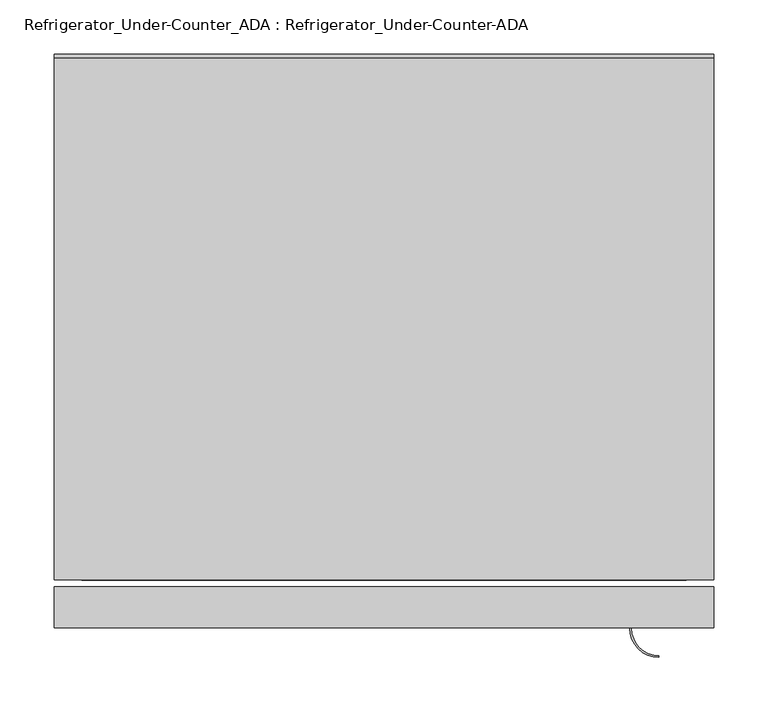
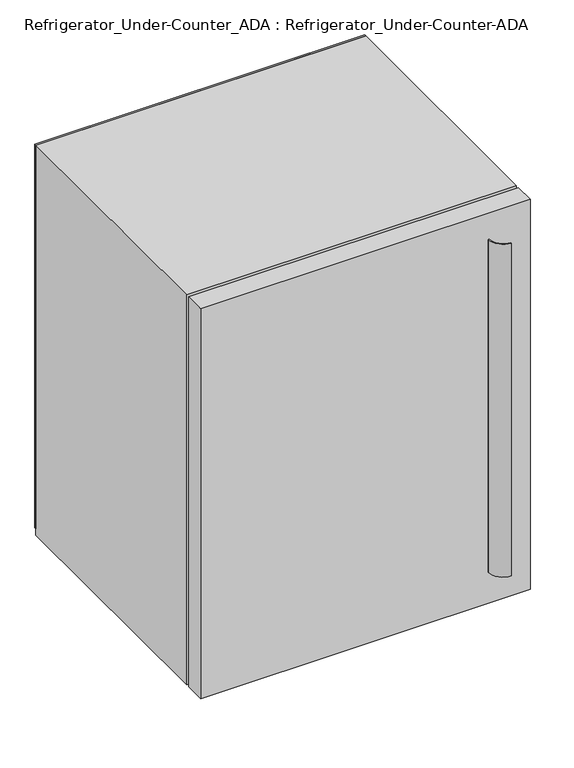
"""IFC4 building model written with IfcOpenShell, lengths in millimetres: proxy geometry, Refrigerator_Under-Counter_ADA : Refrigerator_Under-Counter-ADA."""

from ifc_helpers import new_model, si_unit, point, frame, frame_2d, origin, place, context, project, spatial, polyline, circle_curve, trimmed, segment, composite_curve, outline, extrude, source, transform, mapped, element, save
from ifc_brep_helpers import plane_surface, revolved_surface, advanced_brep


def refrigerator_under_counter_ada_refrigerator_under_counter_5b8babd0(model_context):
    return source(origin(), model_context, "Body", "SolidModel", [
        extrude(outline(polyline([(350.4262844, 3.175), (350.4262844, 0.0), (-259.1737156, 0.0), (-259.1737156, 3.175), (350.4262844, 3.175)])), frame((0.0, 0.0, 63.5), z_axis=(0.0, 0.0, 1.0), x_axis=(1.0, 0.0, 0.0)), (0.0, 0.0, 1.0), 749.3),
        extrude(outline(composite_curve([segment(trimmed(circle_curve(frame_2d((299.6262844, -527.2721727)), 25.4), [point((274.2262844, -527.2721727))], [point((299.6262844, -552.6721727))], True, "CARTESIAN"), True, "CONTINUOUS"), segment(polyline([(299.6262844, -552.6721727), (299.6262844, -554.2596727)]), True, "CONTINUOUS"), segment(trimmed(circle_curve(frame_2d((299.6262844, -527.2721727)), 26.9875), [point((299.6262844, -554.2596727))], [point((272.6387844, -527.2721727))], False, "CARTESIAN"), True, "CONTINUOUS"), segment(polyline([(272.6387844, -527.2721727), (272.6387844, -489.1721727), (274.2262844, -489.1721727), (274.2262844, -527.2721727)]), True, "CONTINUOUS")], self_intersect=False)), frame((0.0, 0.0, 111.8222704), z_axis=(0.0, 0.0, 1.0), x_axis=(1.0, 0.0, 0.0)), (0.0, 0.0, 1.0), 650.1777296),
        extrude(outline(polyline([(350.4262844, -527.05), (-259.1737156, -527.05), (-259.1737156, -488.95), (350.4262844, -488.95), (350.4262844, -527.05)])), frame((0.0, 0.0, 50.8), z_axis=(0.0, 0.0, 1.0), x_axis=(1.0, 0.0, 0.0)), (0.0, 0.0, 1.0), 762.0),
        advanced_brep(
        [(216.5827491, -444.5, 0.0), (233.0870024, -444.5, 0.0), (243.8848758, -444.5, 50.8), (205.7848758, -444.5, 50.8), (224.8348758, -444.5, 0.0), (224.8348758, -444.5, 50.8)],
        [
            (0, 1, circle_curve(frame((224.8348758, -444.5, 0.0), z_axis=(0.0, 0.0, 1.0), x_axis=(1.0, 0.0, 0.0)), 8.2521267)),
            (1, 2),
            (2, 3, circle_curve(frame((224.8348758, -444.5, 50.8), z_axis=(0.0, 0.0, -1.0), x_axis=(1.0, 0.0, 0.0)), 19.05)),
            (3, 0),
            (1, 0, circle_curve(frame((224.8348758, -444.5, 0.0), z_axis=(0.0, 0.0, 1.0), x_axis=(1.0, 0.0, 0.0)), 8.2521267)),
            (3, 2, circle_curve(frame((224.8348758, -444.5, 50.8), z_axis=(0.0, 0.0, -1.0), x_axis=(1.0, 0.0, 0.0)), 19.05)),
            (4, 1),
            (0, 4),
            (2, 5),
            (5, 3),
        ],
        [
            revolved_surface(polyline([(243.8848758, -444.5, 50.8), (233.0870024, -444.5, 0.0)]), (224.8348758, -444.5, 50.8), (0.0, 0.0, -1.0)),
            plane_surface(frame((224.8348758, -444.5, 0.0), z_axis=(0.0, 0.0, -1.0), x_axis=(1.0, 0.0, 0.0))),
            plane_surface(frame((224.8348758, -444.5, 50.8), z_axis=(0.0, 0.0, 1.0), x_axis=(1.0, 0.0, 0.0))),
        ],
        [
            (0, [[1, 2, 3, 4]]),
            (0, [[5, -4, 6, -2]]),
            (1, [[7, -1, 8]]),
            (1, [[-8, -5, -7]]),
            (2, [[-3, 9, 10]]),
            (2, [[-6, -10, -9]]),
        ],
    ),
        advanced_brep(
        [(224.8348758, -38.1, 50.8), (243.8848758, -38.1, 50.8), (205.7848758, -38.1, 50.8), (216.5827491, -38.1, 0.0), (233.0870024, -38.1, 0.0), (224.8348758, -38.1, 0.0)],
        [
            (0, 1),
            (1, 2, circle_curve(frame((224.8348758, -38.1, 50.8), z_axis=(0.0, 0.0, 1.0), x_axis=(1.0, 0.0, 0.0)), 19.05)),
            (2, 0),
            (2, 1, circle_curve(frame((224.8348758, -38.1, 50.8), z_axis=(0.0, 0.0, 1.0), x_axis=(1.0, 0.0, 0.0)), 19.05)),
            (3, 4, circle_curve(frame((224.8348758, -38.1, 0.0), z_axis=(0.0, 0.0, -1.0), x_axis=(1.0, 0.0, 0.0)), 8.2521267)),
            (4, 5),
            (5, 3),
            (4, 3, circle_curve(frame((224.8348758, -38.1, 0.0), z_axis=(0.0, 0.0, -1.0), x_axis=(1.0, 0.0, 0.0)), 8.2521267)),
            (1, 4),
            (3, 2),
        ],
        [
            plane_surface(frame((224.8348758, -38.1, 50.8), z_axis=(0.0, 0.0, 1.0), x_axis=(1.0, 0.0, 0.0))),
            plane_surface(frame((224.8348758, -38.1, 0.0), z_axis=(0.0, 0.0, -1.0), x_axis=(1.0, 0.0, 0.0))),
            revolved_surface(polyline([(233.0870024, -38.1, 0.0), (243.8848758, -38.1, 50.8)]), (224.8348758, -38.1, 50.8), (0.0, 0.0, 1.0)),
        ],
        [
            (0, [[1, 2, 3]]),
            (0, [[-3, 4, -1]]),
            (1, [[5, 6, 7]]),
            (1, [[8, -7, -6]]),
            (2, [[-2, 9, -5, 10]]),
            (2, [[-4, -10, -8, -9]]),
        ],
    ),
        advanced_brep(
        [(-133.5823069, -444.5, 50.8), (-152.6323069, -444.5, 50.8), (-114.5323069, -444.5, 50.8), (-125.3301802, -444.5, 0.0), (-141.8344336, -444.5, 0.0), (-133.5823069, -444.5, 0.0)],
        [
            (0, 1),
            (1, 2, circle_curve(frame((-133.5823069, -444.5, 50.8), z_axis=(0.0, 0.0, 1.0), x_axis=(-1.0, 0.0, 0.0)), 19.05)),
            (2, 0),
            (2, 1, circle_curve(frame((-133.5823069, -444.5, 50.8), z_axis=(0.0, 0.0, 1.0), x_axis=(-1.0, 0.0, 0.0)), 19.05)),
            (3, 4, circle_curve(frame((-133.5823069, -444.5, 0.0), z_axis=(0.0, 0.0, -1.0), x_axis=(-1.0, 0.0, 0.0)), 8.2521267)),
            (4, 5),
            (5, 3),
            (4, 3, circle_curve(frame((-133.5823069, -444.5, 0.0), z_axis=(0.0, 0.0, -1.0), x_axis=(-1.0, 0.0, 0.0)), 8.2521267)),
            (1, 4),
            (3, 2),
        ],
        [
            plane_surface(frame((-133.5823069, -444.5, 50.8), z_axis=(0.0, 0.0, 1.0), x_axis=(-1.0, 0.0, 0.0))),
            plane_surface(frame((-133.5823069, -444.5, 0.0), z_axis=(0.0, 0.0, -1.0), x_axis=(-1.0, 0.0, 0.0))),
            revolved_surface(polyline([(-141.8344336, -444.5, 0.0), (-152.6323069, -444.5, 50.8)]), (-133.5823069, -444.5, 50.8), (0.0, 0.0, 1.0)),
        ],
        [
            (0, [[1, 2, 3]]),
            (0, [[-3, 4, -1]]),
            (1, [[5, 6, 7]]),
            (1, [[8, -7, -6]]),
            (2, [[-2, 9, -5, 10]]),
            (2, [[-4, -10, -8, -9]]),
        ],
    ),
        advanced_brep(
        [(-125.3301802, -38.1, 0.0), (-141.8344336, -38.1, 0.0), (-152.6323069, -38.1, 50.8), (-114.5323069, -38.1, 50.8), (-133.5823069, -38.1, 0.0), (-133.5823069, -38.1, 50.8)],
        [
            (0, 1, circle_curve(frame((-133.5823069, -38.1, 0.0), z_axis=(0.0, 0.0, 1.0), x_axis=(-1.0, 0.0, 0.0)), 8.2521267)),
            (1, 2),
            (2, 3, circle_curve(frame((-133.5823069, -38.1, 50.8), z_axis=(0.0, 0.0, -1.0), x_axis=(-1.0, 0.0, 0.0)), 19.05)),
            (3, 0),
            (1, 0, circle_curve(frame((-133.5823069, -38.1, 0.0), z_axis=(0.0, 0.0, 1.0), x_axis=(-1.0, 0.0, 0.0)), 8.2521267)),
            (3, 2, circle_curve(frame((-133.5823069, -38.1, 50.8), z_axis=(0.0, 0.0, -1.0), x_axis=(-1.0, 0.0, 0.0)), 19.05)),
            (4, 1),
            (0, 4),
            (2, 5),
            (5, 3),
        ],
        [
            revolved_surface(polyline([(-152.6323069, -38.1, 50.8), (-141.8344336, -38.1, 0.0)]), (-133.5823069, -38.1, 50.8), (0.0, 0.0, -1.0)),
            plane_surface(frame((-133.5823069, -38.1, 0.0), z_axis=(0.0, 0.0, -1.0), x_axis=(-1.0, 0.0, 0.0))),
            plane_surface(frame((-133.5823069, -38.1, 50.8), z_axis=(0.0, 0.0, 1.0), x_axis=(-1.0, 0.0, 0.0))),
        ],
        [
            (0, [[1, 2, 3, 4]]),
            (0, [[5, -4, 6, -2]]),
            (1, [[7, -1, 8]]),
            (1, [[-8, -5, -7]]),
            (2, [[-3, 9, 10]]),
            (2, [[-6, -10, -9]]),
        ],
    ),
        extrude(outline(polyline([(50.8, -259.1737156), (50.8, 350.4262844), (812.8, 350.4262844), (812.8, -259.1737156), (50.8, -259.1737156)]), holes=[polyline([(790.575, -233.7737156), (790.575, 325.0262844), (76.2, 325.0262844), (76.2, -233.7737156), (790.575, -233.7737156)])]), frame((0.0, -482.6, 0.0), z_axis=(0.0, 1.0, 0.0), x_axis=(0.0, 0.0, 1.0)), (0.0, 0.0, 1.0), 482.6),
    ])


if __name__ == "__main__":
    model = new_model("IFC4")
    model_context = context("Model", 3, world=origin())
    ifc_project = project(units=[si_unit("LENGTHUNIT", "METRE", prefix="MILLI")], contexts=[model_context])
    site = spatial("IfcSite", under=ifc_project)
    building = spatial("IfcBuilding", under=site)
    placement = place(None, origin())
    refrigerator_under_counter_ada_refrigerator_under_counter_shape = refrigerator_under_counter_ada_refrigerator_under_counter_5b8babd0(model_context)
    element("IfcBuildingElementProxy", 1, Name="Refrigerator_Under-Counter_ADA : Refrigerator_Under-Counter-ADA", ObjectType="Refrigerator_Under-Counter_ADA : Refrigerator_Under-Counter-ADA", at=placement, inside=building, context=model_context, shape_type="MappedRepresentation", body=[
        mapped(refrigerator_under_counter_ada_refrigerator_under_counter_shape, transform((0.0, 0.0, 0.0), x_axis=(1.0, 0.0, 0.0), y_axis=(0.0, 1.0, 0.0), z_axis=(0.0, 0.0, 1.0))),
    ])
    save(model, "model.ifc")
